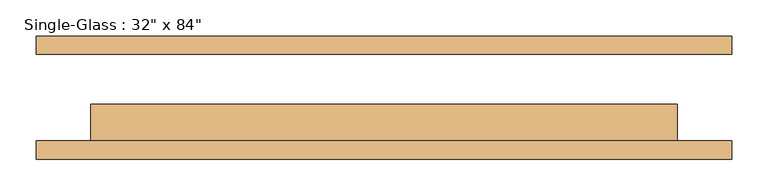
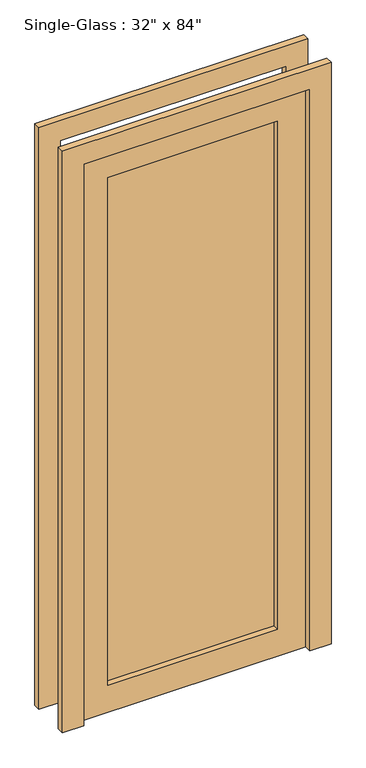
"""IFC4 building model written with IfcOpenShell, lengths in millimetres: door geometry."""

from ifc_helpers import new_model, si_unit, frame, origin, place, context, project, spatial, polyline, outline, extrude, source, transform, mapped, element, save


def door_78bbd5a0(model_context):
    return source(origin(), model_context, "Body", "SweptSolid", [
        extrude(outline(polyline([(2133.6, 406.4), (0.0, 406.4), (0.0, 482.6), (2209.8, 482.6), (2209.8, -482.6), (0.0, -482.6), (0.0, -406.4), (2133.6, -406.4), (2133.6, 406.4)])), frame((0.0, 60.0, 0.0), z_axis=(0.0, 1.0, 0.0), x_axis=(0.0, 0.0, 1.0)), (0.0, 0.0, 1.0), 25.4),
        extrude(outline(polyline([(2133.6, 406.4), (0.0, 406.4), (0.0, 482.6), (2209.8, 482.6), (2209.8, -482.6), (0.0, -482.6), (0.0, -406.4), (2133.6, -406.4), (2133.6, 406.4)])), frame((0.0, -85.4, 0.0), z_axis=(0.0, 1.0, 0.0), x_axis=(0.0, 0.0, 1.0)), (0.0, 0.0, 1.0), 25.4),
        extrude(outline(polyline([(304.8, -31.425), (304.8, -37.775), (-304.8, -37.775), (-304.8, -31.425), (304.8, -31.425)])), frame((0.0, 0.0, 101.6), z_axis=(0.0, 0.0, 1.0), x_axis=(1.0, 0.0, 0.0)), (0.0, 0.0, 1.0), 1930.4),
        extrude(outline(polyline([(2133.6, 406.4), (2133.6, -406.4), (0.0, -406.4), (0.0, 406.4), (2133.6, 406.4)]), holes=[polyline([(2032.0, -304.8), (2032.0, 304.8), (101.6, 304.8), (101.6, -304.8), (2032.0, -304.8)])]), frame((0.0, -60.0, 0.0), z_axis=(0.0, 1.0, 0.0), x_axis=(0.0, 0.0, 1.0)), (0.0, 0.0, 1.0), 50.8),
    ])


if __name__ == "__main__":
    model = new_model("IFC4")
    model_context = context("Model", 3, world=origin())
    ifc_project = project(units=[si_unit("LENGTHUNIT", "METRE", prefix="MILLI")], contexts=[model_context])
    site = spatial("IfcSite", under=ifc_project)
    building = spatial("IfcBuilding", under=site)
    placement = place(None, origin())
    door_shape = door_78bbd5a0(model_context)
    element("IfcDoor", 1, ObjectType="Single-Glass : 32\" x 84\"", at=placement, inside=building, context=model_context, shape_type="MappedRepresentation", body=[
        mapped(door_shape, transform((0.0, 0.0, 0.0), x_axis=(1.0, 0.0, 0.0), y_axis=(0.0, 1.0, 0.0), z_axis=(0.0, 0.0, 1.0))),
    ])
    save(model, "model.ifc")
